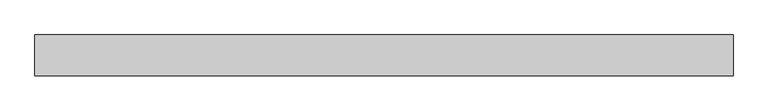
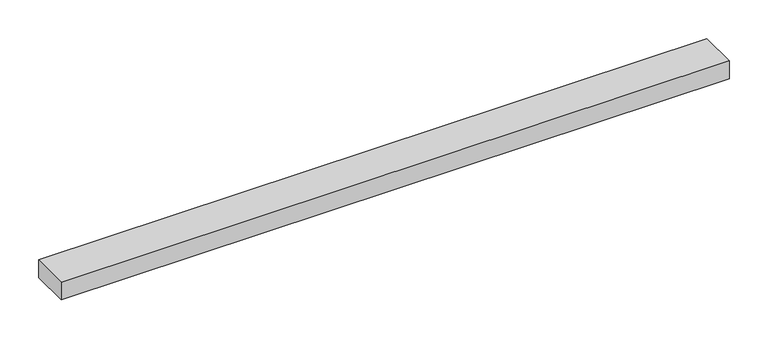
"""IFC4 building model written with IfcOpenShell, lengths in millimetres: proxy geometry."""

from ifc_helpers import new_model, si_unit, frame, origin, place, context, project, spatial, polyline, outline, extrude, source, transform, mapped, element, save


def specialty_equipment_7936dc09(model_context):
    return source(origin(), model_context, "Body", "SweptSolid", [
        extrude(outline(polyline([(-500.3015219, 29.2199219), (500.3015219, 29.2199219), (500.3015219, -29.2199219), (-500.3015219, -29.2199219), (-500.3015219, 29.2199219)])), frame((0.0, 0.0, -13.9898438), z_axis=(0.0, 0.0, 1.0), x_axis=(1.0, 0.0, 0.0)), (0.0, 0.0, 1.0), 27.9796875),
    ])


if __name__ == "__main__":
    model = new_model("IFC4")
    model_context = context("Model", 3, world=origin())
    ifc_project = project(units=[si_unit("LENGTHUNIT", "METRE", prefix="MILLI")], contexts=[model_context])
    site = spatial("IfcSite", under=ifc_project)
    building = spatial("IfcBuilding", under=site)
    placement = place(None, origin())
    specialty_equipment_shape = specialty_equipment_7936dc09(model_context)
    element("IfcBuildingElementProxy", 1, Name="Specialty Equipment", at=placement, inside=building, context=model_context, shape_type="MappedRepresentation", body=[
        mapped(specialty_equipment_shape, transform((0.0, 0.0, 0.0), x_axis=(1.0, 0.0, 0.0), y_axis=(0.0, 1.0, 0.0), z_axis=(0.0, 0.0, 1.0))),
    ])
    save(model, "model.ifc")
